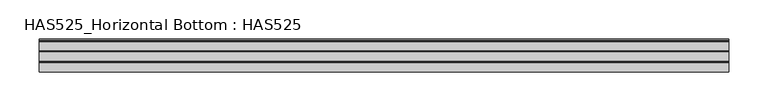
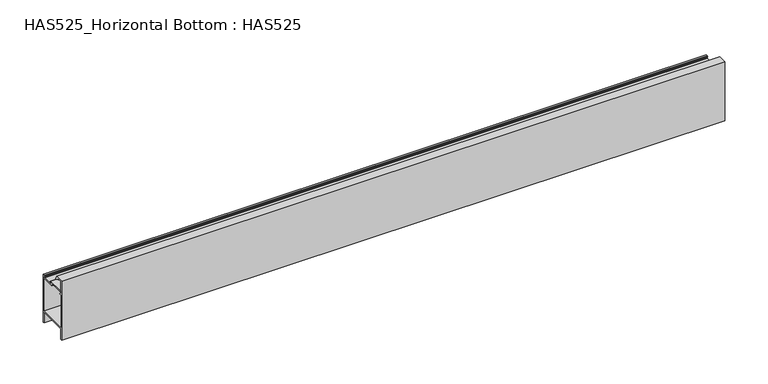
"""IFC4 building model written with IfcOpenShell, lengths in millimetres: beam geometry, HAS525_Horizontal Bottom : HAS525."""

from ifc_helpers import new_model, si_unit, point, frame, frame_2d, origin, place, context, project, spatial, polyline, circle_curve, trimmed, segment, composite_curve, outline, extrude, source, transform, mapped, element, save


def has525_horizontal_bottom_has525_de1e01e4(model_context):
    return source(origin(), model_context, "Body", "SweptSolid", [
        extrude(outline(composite_curve([segment(polyline([(17.8181818, 65.969697), (19.0909091, 67.030303), (21.0, 67.030303), (21.0, 0.0), (19.0909091, 0.0), (19.0909091, 13.3636364), (18.6666667, 14.4242424), (17.6060606, 14.8484848), (-17.3939394, 14.8484848), (-18.4545455, 14.4242424), (-19.0909091, 13.3636364), (-19.0909091, 0.0), (-21.0, 0.0), (-21.0, 83.0), (-9.969697, 83.0), (-9.969697, 80.6666667), (-8.4848485, 80.6666667), (-7.817929, 78.4436018)]), True, "CONTINUOUS"), segment(trimmed(circle_curve(frame_2d((-8.2115322, 78.3255208)), 0.4109338), [point((-7.817929, 78.4436018))], [point((-8.3578227, 77.9415082))], False, "CARTESIAN"), True, "CONTINUOUS"), segment(polyline([(-8.3578227, 77.9415082), (-12.7272727, 79.6060606), (-13.5757576, 81.0909091), (-17.3939394, 81.0909091), (-18.4545455, 80.4545455), (-19.0909091, 79.3939394), (-19.0909091, 68.5151515), (-18.4545455, 67.4545455), (-17.3939394, 67.030303), (5.0293532, 67.030303)]), True, "CONTINUOUS"), segment(trimmed(circle_curve(frame_2d((5.0293532, 66.6057611)), 0.4245419), [point((5.0293532, 67.030303))], [point((5.1459839, 66.1975538))], False, "CARTESIAN"), True, "CONTINUOUS"), segment(polyline([(5.1459839, 66.1975538), (3.6060606, 65.7575758), (3.6060606, 63.8484848), (18.3102593, 63.8484848)]), True, "CONTINUOUS"), segment(trimmed(circle_curve(frame_2d((18.3102593, 64.2663425)), 0.4178576), [point((18.3102593, 63.8484848))], [point((18.6730613, 64.4736579))], True, "CARTESIAN"), True, "CONTINUOUS"), segment(polyline([(18.6730613, 64.4736579), (17.8181818, 65.969697)]), True, "CONTINUOUS")], self_intersect=False), holes=[polyline([(-15.4848485, 61.7272727), (-19.0909091, 61.7272727), (-19.0909091, 16.969697), (19.0909091, 16.969697), (19.0909091, 61.9393939), (2.969697, 61.9393939), (2.010101, 62.3232323), (1.0606061, 64.6969697), (0.0, 65.1212121), (-18.8787879, 65.1212121), (-15.4848485, 61.7272727)])]), frame((-440.4233142, 0.0, 0.0), z_axis=(1.0, 0.0, 0.0), x_axis=(0.0, 1.0, 0.0)), (0.0, 0.0, 1.0), 880.8466284),
    ])


if __name__ == "__main__":
    model = new_model("IFC4")
    model_context = context("Model", 3, world=origin())
    ifc_project = project(units=[si_unit("LENGTHUNIT", "METRE", prefix="MILLI")], contexts=[model_context])
    site = spatial("IfcSite", under=ifc_project)
    building = spatial("IfcBuilding", under=site)
    placement = place(None, origin())
    has525_horizontal_bottom_has525_shape = has525_horizontal_bottom_has525_de1e01e4(model_context)
    element("IfcBeam", 1, ObjectType="HAS525_Horizontal Bottom : HAS525", at=placement, inside=building, context=model_context, shape_type="MappedRepresentation", body=[
        mapped(has525_horizontal_bottom_has525_shape, transform((0.0, 0.0, 0.0), x_axis=(1.0, 0.0, 0.0), y_axis=(0.0, 1.0, 0.0), z_axis=(0.0, 0.0, 1.0))),
    ])
    save(model, "model.ifc")
